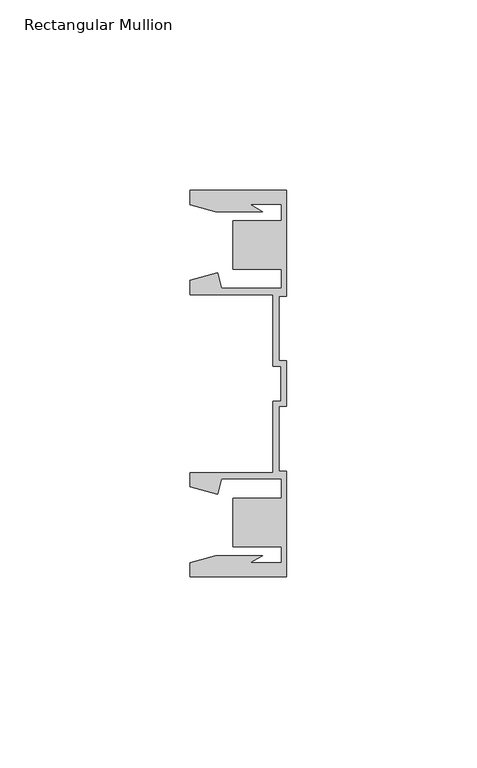
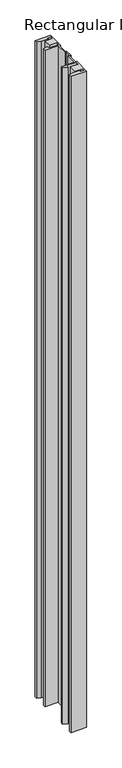
"""IFC4 building model written with IfcOpenShell, lengths in millimetres: member geometry, Rectangular Mullion."""

from ifc_helpers import new_model, si_unit, frame, origin, place, context, project, spatial, polyline, outline, extrude, source, transform, mapped, element, save


def rectangular_mullion_202d5dd9(model_context):
    return source(origin(), model_context, "Body", "SweptSolid", [
        extrude(outline(polyline([(-25.4, 50.7954622), (0.0, 50.7954622), (0.0, 22.9938072), (-2.0000011, 22.9938072), (-2.0000011, 6.0000032), (0.0, 6.0000032), (0.0, -6.0000032), (-2.0000011, -6.0000032), (-2.0000011, -22.9938072), (0.0, -22.9938072), (0.0, -50.7954622), (-25.4, -50.7954622), (-25.4, -46.9998463), (-18.7113002, -45.2076146), (-6.3834869, -45.2076146), (-9.7005662, -47.1227313), (-1.4138425, -47.1227313), (-1.4138425, -42.8128906), (-14.1138425, -42.8128906), (-14.1138425, -30.1128906), (-1.4138425, -30.1128906), (-1.4138425, -25.0120132), (-17.1094033, -25.0120132), (-18.2017212, -29.0885993), (-25.4, -27.1598263), (-25.4, -23.3610583), (-3.555903, -23.3610583), (-3.555903, -4.5718753), (-1.5239584, -4.5718753), (-1.5239584, 4.5718753), (-3.555903, 4.5718753), (-3.555903, 23.3610583), (-25.4, 23.3610583), (-25.4, 27.1598263), (-18.2017212, 29.0885993), (-17.1094033, 25.0120132), (-1.4138425, 25.0120132), (-1.4138425, 30.1128906), (-14.1138425, 30.1128906), (-14.1138425, 42.8128906), (-1.4138425, 42.8128906), (-1.4138425, 47.1227313), (-9.7005662, 47.1227313), (-6.3834869, 45.2076146), (-18.7113002, 45.2076146), (-25.4, 46.9998463), (-25.4, 50.7954622)])), frame((0.0, 0.0, -1133.0533231), z_axis=(0.0, 0.0, 1.0), x_axis=(1.0, 0.0, 0.0)), (0.0, 0.0, 1.0), 1133.0533231),
    ])


if __name__ == "__main__":
    model = new_model("IFC4")
    model_context = context("Model", 3, world=origin())
    ifc_project = project(units=[si_unit("LENGTHUNIT", "METRE", prefix="MILLI")], contexts=[model_context])
    site = spatial("IfcSite", under=ifc_project)
    building = spatial("IfcBuilding", under=site)
    placement = place(None, origin())
    rectangular_mullion_shape = rectangular_mullion_202d5dd9(model_context)
    element("IfcMember", 1, ObjectType="Rectangular Mullion", at=placement, inside=building, context=model_context, shape_type="MappedRepresentation", body=[
        mapped(rectangular_mullion_shape, transform((0.0, 0.0, 0.0), x_axis=(1.0, 0.0, 0.0), y_axis=(0.0, 1.0, 0.0), z_axis=(0.0, 0.0, 1.0))),
    ])
    save(model, "model.ifc")
